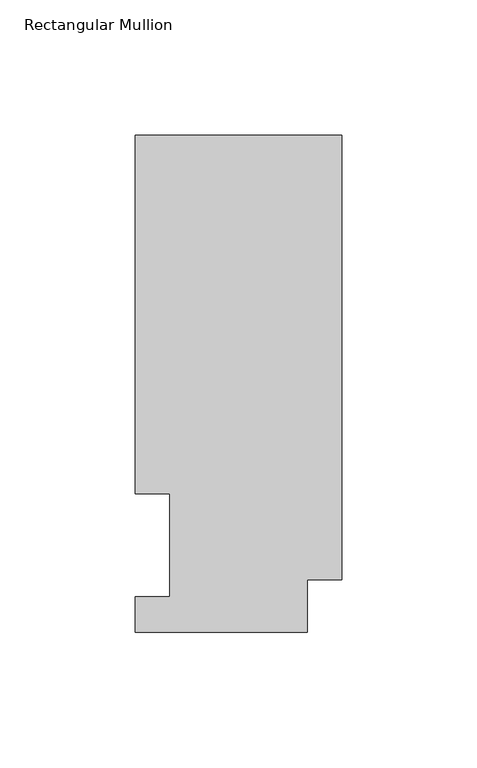
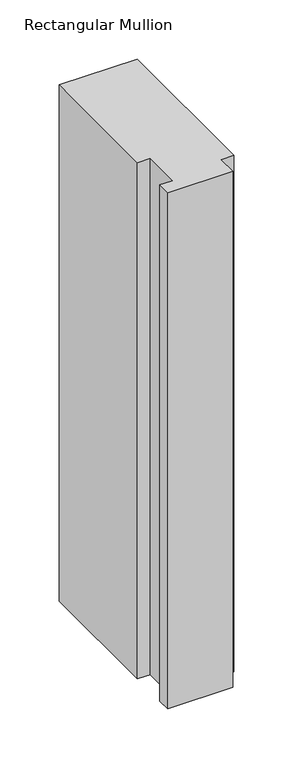
"""IFC4 building model written with IfcOpenShell, lengths in millimetres: member geometry, Rectangular Mullion."""

import ifcopenshell
import ifcopenshell.guid

model = None  # the IFC model being written
_history = None  # IfcOwnerHistory: only IFC2X3 demands one
_inside = {}  # id of a spatial element -> (the spatial element, [elements in it])
_under = {}  # id of a project, library or spatial element -> (it, [spatial elements below it])
_declared = {}  # id of a project -> (the project, [libraries it declares])
_typed = {}  # id of a type object -> (the type object, [elements of that type])
_made_of = {}  # id of a material, layer set ... -> (it, [elements and type objects made of it])


def new_model(schema):
    """Start an empty IFC model of exactly this schema.

    Asked for "IFC4X3", IfcOpenShell would pick the latest addendum, in which some entities
    have other attributes; the version numbers below select the first issue.
    IFC2X3 requires an IfcOwnerHistory on every rooted entity: one is made here for all.
    """
    global model, _history
    if schema == "IFC4X3":
        model = ifcopenshell.file(schema_version=(4, 3, 0, 0))
    else:
        model = ifcopenshell.file(schema=schema)
    _inside.clear()
    _under.clear()
    _declared.clear()
    _typed.clear()
    _made_of.clear()
    _history = None
    if model.schema == "IFC2X3":
        org = make("IfcOrganization", Name="unknown")
        user = make(
            "IfcPersonAndOrganization",
            ThePerson=make("IfcPerson", FamilyName="unknown"),
            TheOrganization=org,
        )
        app = make(
            "IfcApplication",
            ApplicationDeveloper=org,
            Version="unknown",
            ApplicationFullName="unknown",
            ApplicationIdentifier="unknown",
        )
        _history = make(
            "IfcOwnerHistory",
            OwningUser=user,
            OwningApplication=app,
            ChangeAction="ADDED",
            CreationDate=0,
        )
    return model


def make(cls, **values):
    """One entity of the class cls with the attributes given. An attribute that is None is left unset."""
    return model.create_entity(
        cls, **{name: value for name, value in values.items() if value is not None}
    )


def rooted(cls, **values):
    """An entity with a GlobalId (a new one), such as an element, a storey or a relation."""
    return make(cls, GlobalId=ifcopenshell.guid.new(), OwnerHistory=_history, **values)


def si_unit(unit_type, name, prefix=None):
    """IfcSIUnit, for example si_unit("LENGTHUNIT", "METRE", prefix="MILLI")."""
    return make("IfcSIUnit", UnitType=unit_type, Prefix=prefix, Name=name)


def assignment(units):
    """IfcUnitAssignment: the units of a project."""
    return None if units is None else make("IfcUnitAssignment", Units=units)


def point(xyz):
    """IfcCartesianPoint."""
    return None if xyz is None else make("IfcCartesianPoint", Coordinates=xyz)


def direction(xyz):
    """IfcDirection."""
    return None if xyz is None else make("IfcDirection", DirectionRatios=xyz)


def frame(location, z_axis=None, x_axis=None):
    """IfcAxis2Placement3D, a coordinate frame: its origin and axes. An axis left out is left unset."""
    return make(
        "IfcAxis2Placement3D",
        Location=point(location),
        Axis=direction(z_axis),
        RefDirection=direction(x_axis),
    )


def origin():
    """The frame at (0, 0, 0) with its axes left unset."""
    return frame((0.0, 0.0, 0.0))


def place(relative_to, where):
    """IfcLocalPlacement: puts the frame where relative to a parent placement (None: the world)."""
    return make(
        "IfcLocalPlacement", PlacementRelTo=relative_to, RelativePlacement=where
    )


def context(
    kind, dimensions, precision=None, world=None, true_north=None, identifier=None
):
    """IfcGeometricRepresentationContext, for example the 3D "Model" context."""
    return make(
        "IfcGeometricRepresentationContext",
        ContextIdentifier=identifier,
        ContextType=kind,
        CoordinateSpaceDimension=dimensions,
        Precision=precision,
        WorldCoordinateSystem=world,
        TrueNorth=true_north,
    )


def project(units=None, contexts=None):
    """IfcProject with its units and contexts."""
    return rooted(
        "IfcProject",
        Name="project",
        RepresentationContexts=contexts,
        UnitsInContext=assignment(units),
    )


def spatial(cls, under=None, at=None, **own):
    """A site, building, storey or space (cls), placed at a placement, below another one or the project."""
    s = rooted(cls, ObjectPlacement=at, **own)
    if under is not None:
        _under.setdefault(under.id(), (under, []))[1].append(s)
    return s


def polyline(points):
    """IfcPolyline through the points."""
    return make("IfcPolyline", Points=[point(p) for p in points])


def outline(outer, holes=None, kind="AREA"):
    """IfcArbitraryClosedProfileDef: a profile drawn as a closed curve; with holes, ...WithVoids."""
    if holes is None:
        return make("IfcArbitraryClosedProfileDef", ProfileType=kind, OuterCurve=outer)
    return make(
        "IfcArbitraryProfileDefWithVoids",
        ProfileType=kind,
        OuterCurve=outer,
        InnerCurves=holes,
    )


def extrude(swept, where, along, depth):
    """IfcExtrudedAreaSolid: the profile swept, set in the frame where, extruded along a direction by depth."""
    return make(
        "IfcExtrudedAreaSolid",
        SweptArea=swept,
        Position=where,
        ExtrudedDirection=direction(along),
        Depth=depth,
    )


def shape(context_of_items, identifier, shape_type, items):
    """IfcShapeRepresentation: the items that make up one representation, for example the "Body"."""
    return make(
        "IfcShapeRepresentation",
        ContextOfItems=context_of_items,
        RepresentationIdentifier=identifier,
        RepresentationType=shape_type,
        Items=items,
    )


def source(mapping_origin, context_of_items, identifier, shape_type, items):
    """IfcRepresentationMap: a shape defined once, which mapped items show again and again."""
    return make(
        "IfcRepresentationMap",
        MappingOrigin=mapping_origin,
        MappedRepresentation=shape(context_of_items, identifier, shape_type, items),
    )


def transform(
    local_origin,
    x_axis=None,
    y_axis=None,
    z_axis=None,
    scale=None,
    scale2=None,
    scale3=None,
    uniform=True,
):
    """IfcCartesianTransformationOperator3D, or its non-uniform kind. x_axis, y_axis, z_axis: its Axis1, 2, 3."""
    if uniform:
        return make(
            "IfcCartesianTransformationOperator3D",
            Axis1=direction(x_axis),
            Axis2=direction(y_axis),
            LocalOrigin=point(local_origin),
            Scale=scale,
            Axis3=direction(z_axis),
        )
    return make(
        "IfcCartesianTransformationOperator3DnonUniform",
        Axis1=direction(x_axis),
        Axis2=direction(y_axis),
        LocalOrigin=point(local_origin),
        Scale=scale,
        Axis3=direction(z_axis),
        Scale2=scale2,
        Scale3=scale3,
    )


def mapped(mapping_source, mapping_target):
    """IfcMappedItem: shows the shape of a source again, moved by a transform."""
    return make(
        "IfcMappedItem", MappingSource=mapping_source, MappingTarget=mapping_target
    )


def made_of(thing, what):
    """Note that an element or type object is made of a material, layer set ...; save() writes the relation."""
    if what is not None:
        _made_of.setdefault(what.id(), (what, []))[1].append(thing)
    return thing


def element(
    cls,
    number,
    at=None,
    inside=None,
    cuts=None,
    type_object=None,
    material=None,
    context=None,
    identifier="Body",
    shape_type=None,
    held_by="IfcProductDefinitionShape",
    body=None,
    shapes=None,
    **own,
):
    """One element of the class cls, such as IfcWall. Its Tag is "e" and its number.

    at: its placement. inside: the storey or other place that contains it. cuts: it is an
    opening in that element (IfcRelVoidsElement). A single representation is given by context,
    identifier, shape_type and body (its items); several are given by shapes. held_by: the class
    of the entity that holds the representations. save() writes the other relations.
    """
    e = rooted(cls, Tag="e%d" % number, ObjectPlacement=at, **own)
    if body is not None:
        shapes = [shape(context, identifier, shape_type, body)]
    if shapes is not None:
        e.Representation = make(held_by, Representations=shapes)
    if inside is not None:
        _inside.setdefault(inside.id(), (inside, []))[1].append(e)
    if cuts is not None:
        rooted(
            "IfcRelVoidsElement", RelatingBuildingElement=cuts, RelatedOpeningElement=e
        )
    if type_object is not None:
        _typed.setdefault(type_object.id(), (type_object, []))[1].append(e)
    return made_of(e, material)


def aggregate(whole, parts):
    """IfcRelAggregates: a whole, such as a stair, and the parts it consists of."""
    return rooted("IfcRelAggregates", RelatingObject=whole, RelatedObjects=parts)


def save(model, path):
    """Write the relations noted so far, then the file.

    IfcRelAggregates (storeys below a building ...), IfcRelContainedInSpatialStructure (elements
    in a storey), IfcRelDefinesByType, IfcRelAssociatesMaterial and IfcRelDeclares: one each for
    every whole, place, type object, material and project.
    """
    for whole, parts in _under.values():
        aggregate(whole, parts)
    for where, things in _inside.values():
        rooted(
            "IfcRelContainedInSpatialStructure",
            RelatedElements=things,
            RelatingStructure=where,
        )
    for kind, things in _typed.values():
        rooted("IfcRelDefinesByType", RelatedObjects=things, RelatingType=kind)
    for what, things in _made_of.values():
        rooted("IfcRelAssociatesMaterial", RelatedObjects=things, RelatingMaterial=what)
    for by, libraries in _declared.values():
        rooted("IfcRelDeclares", RelatingContext=by, RelatedDefinitions=libraries)
    model.write(path)


def rectangular_mullion_c4de1c7a(model_context):
    return source(origin(), model_context, "Body", "SweptSolid", [
        extrude(outline(polyline([(0.0, 183.6554938), (0.0, 19.5460937), (-12.7, 19.5460937), (-12.7, 0.0134937), (-76.2000004, 0.0134937), (-76.2000004, 13.1960937), (-63.4943324, 13.1960937), (-63.4943324, 51.2960938), (-76.2000004, 51.2960938), (-76.2000004, 183.6554938), (0.0, 183.6554938)])), frame((0.0, 0.0, -533.4667963), z_axis=(0.0, 0.0, 1.0), x_axis=(1.0, 0.0, 0.0)), (0.0, 0.0, 1.0), 533.4667963),
    ])


if __name__ == "__main__":
    model = new_model("IFC4")
    model_context = context("Model", 3, world=origin())
    ifc_project = project(units=[si_unit("LENGTHUNIT", "METRE", prefix="MILLI")], contexts=[model_context])
    site = spatial("IfcSite", under=ifc_project)
    building = spatial("IfcBuilding", under=site)
    placement = place(None, origin())
    rectangular_mullion_shape = rectangular_mullion_c4de1c7a(model_context)
    element("IfcMember", 1, ObjectType="Rectangular Mullion", at=placement, inside=building, context=model_context, shape_type="MappedRepresentation", body=[
        mapped(rectangular_mullion_shape, transform((0.0, 0.0, 0.0), x_axis=(1.0, 0.0, 0.0), y_axis=(0.0, 1.0, 0.0), z_axis=(0.0, 0.0, 1.0))),
    ])
    save(model, "model.ifc")
